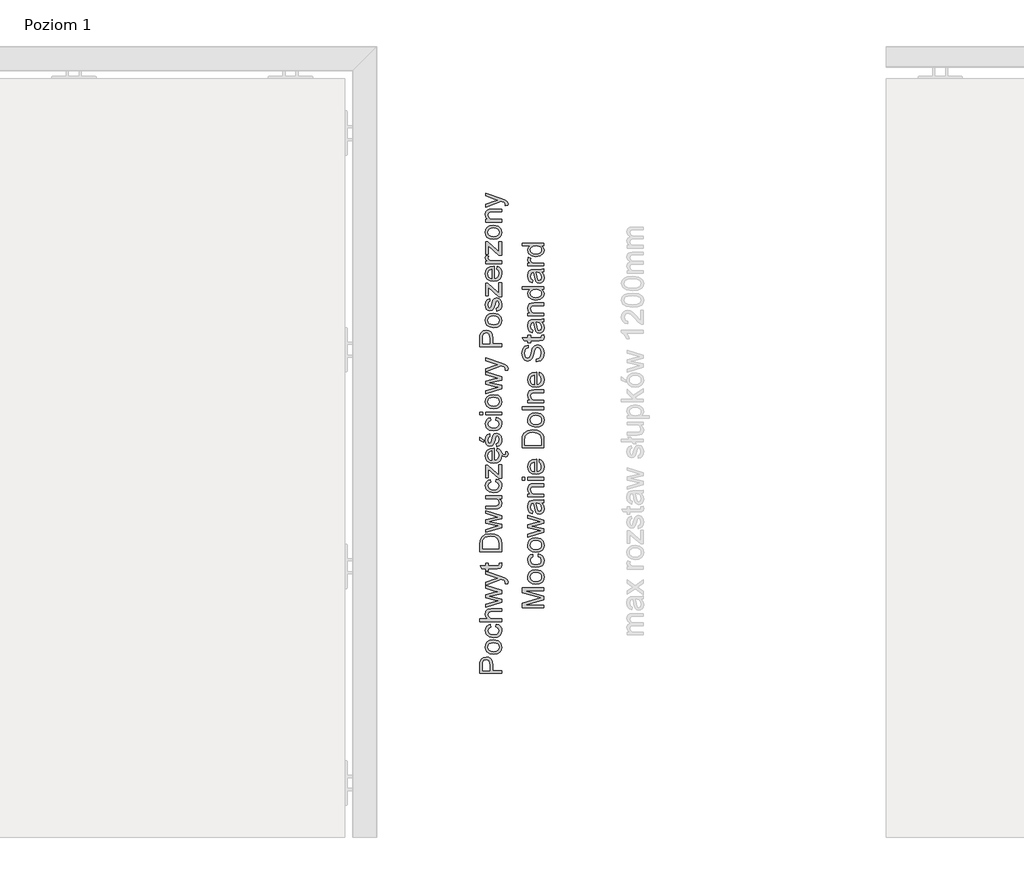
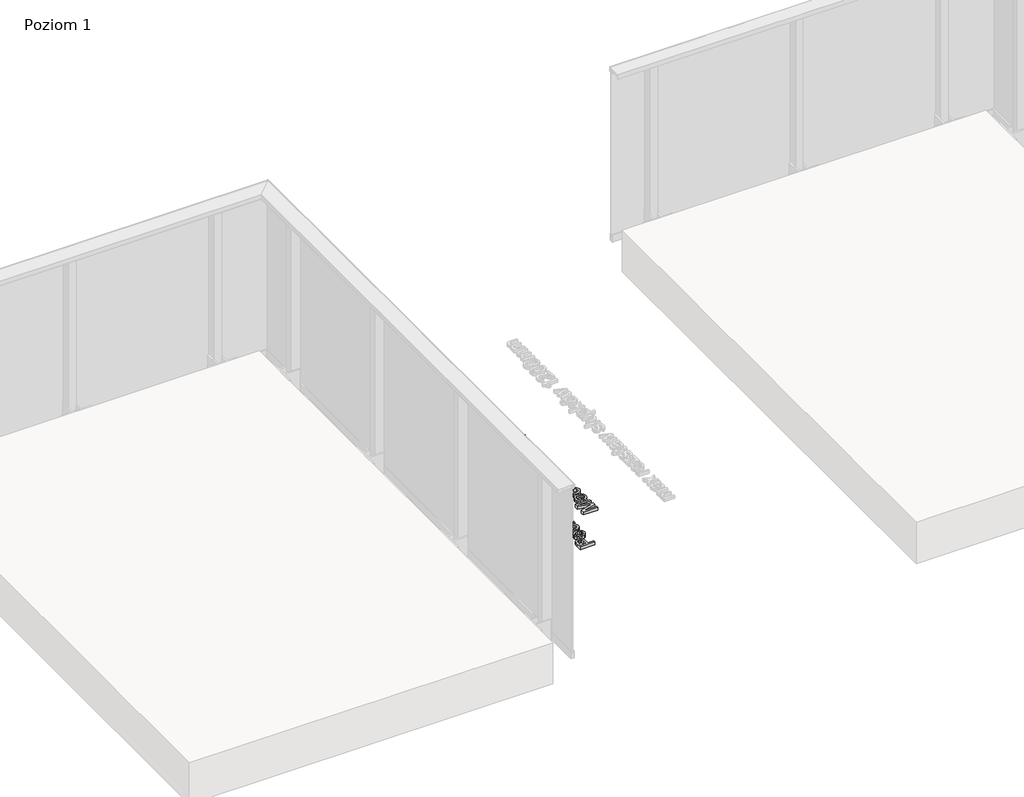
# One storey, part 33 of 35: 2 proxies.
"""IFC4 building model written with IfcOpenShell, lengths in millimetres."""

from ifc_helpers import new_model, si_unit, origin, origin_with_axes, place, context, project, spatial, polyline, outline, extrude, element, save

model = new_model("IFC4")

# Units and contexts
model_context = context("Model", 3, world=origin())
ifc_project = project(units=[si_unit("LENGTHUNIT", "METRE", prefix="MILLI")], contexts=[model_context])

# Site, building, storey
site = spatial("IfcSite", under=ifc_project)
building = spatial("IfcBuilding", under=site)
storey = spatial("IfcBuildingStorey", under=building, Name="Poziom 1", Elevation=0.0)

# Proxies
placement = place(None, origin())
element("IfcBuildingElementProxy", 1, Name="Generic Models", at=placement, inside=storey, context=model_context, shape_type="SweptSolid", body=[
    extrude(outline(polyline([(15115.5993765, 1126.7475832), (15015.1430664, 1126.7475832), (15015.1430664, 1163.9772411), (15016.0995596, 1178.9868265), (15020.7961864, 1191.188246), (15030.508271, 1199.0977089), (15044.205744, 1202.0898158), (15056.0454129, 1200.0695305), (15065.9107817, 1194.0086747), (15072.5694458, 1182.6748435), (15074.7890005, 1164.8356325), (15074.7890005, 1139.304622), (15115.5993765, 1139.304622), (15115.5993765, 1126.7475832)]), holes=[polyline([(15062.2319618, 1139.304622), (15062.2319618, 1165.5713965), (15057.6211741, 1184.0635981), (15052.0722873, 1188.1654823), (15044.6472024, 1189.5327771), (15034.2484047, 1186.3076782), (15028.5584965, 1177.8341296), (15027.7001052, 1165.2770909), (15027.7001052, 1139.304622), (15062.2319618, 1139.304622)])]), origin_with_axes(), (0.0, 0.0, 1.0), 20.0),
    extrude(outline(polyline([(15078.7130752, 1214.6468546), (15060.9259807, 1217.36305), (15048.4241242, 1225.5116362), (15042.298889, 1235.5793401), (15040.2571439, 1247.6336068), (15042.7434131, 1260.8252421), (15050.2022205, 1271.3619955), (15062.0449551, 1278.26898), (15077.6830056, 1280.5713081), (15100.0257054, 1276.5000807), (15112.6685833, 1264.6420178), (15117.1690064, 1247.6336068), (15114.6919343, 1234.2825561), (15107.260718, 1223.7580654), (15095.1696631, 1216.9246573), (15078.7130752, 1214.6468546)]), holes=[polyline([(15078.6885497, 1227.2038934), (15090.0530377, 1228.6570273), (15098.1495072, 1233.0164289), (15102.9963525, 1239.5769911), (15104.6119676, 1247.6336068), (15102.9871555, 1255.6534343), (15098.112719, 1262.2017339), (15089.9089505, 1266.5611355), (15078.2961422, 1268.0142694), (15067.2627481, 1266.5519384), (15059.2766431, 1262.1649457), (15054.4297978, 1255.6074491), (15052.8141827, 1247.6336068), (15054.4236664, 1239.5769911), (15059.2521176, 1233.0164289), (15067.3301931, 1228.6570273), (15078.6885497, 1227.2038934)])]), origin_with_axes(), (0.0, 0.0, 1.0), 20.0),
    extrude(outline(polyline([(15088.9156692, 1341.7868721), (15090.485299, 1354.3439109), (15101.6535832, 1350.8429006), (15110.0934093, 1344.2639442), (15115.4001071, 1335.2263099), (15117.1690064, 1324.3492656), (15114.7011313, 1310.9920835), (15107.2975062, 1300.5473005), (15095.2830934, 1293.8058629), (15078.9828553, 1291.5587171), (15058.1239462, 1295.3969525), (15044.7207788, 1307.0956), (15040.2571439, 1324.1775873), (15041.7899856, 1334.7879172), (15046.3885105, 1343.2706629), (15053.8074641, 1349.3560442), (15063.8015916, 1352.7742811), (15065.3712215, 1340.2172423), (15055.9657051, 1334.392444), (15052.8141827, 1324.2756892), (15054.3654184, 1316.1608255), (15059.0191257, 1309.7198249), (15067.0266904, 1305.5167731), (15078.6394988, 1304.1157558), (15090.4086569, 1305.4861163), (15098.4438128, 1309.5971976), (15103.0699289, 1315.9217022), (15104.6119676, 1323.9323326), (15100.7614694, 1335.7658702), (15088.9156692, 1341.7868721)])), origin_with_axes(), (0.0, 0.0, 1.0), 20.0),
    extrude(outline(polyline([(15115.5993765, 1365.3313198), (15015.1430664, 1365.3313198), (15015.1430664, 1377.8883586), (15052.0784187, 1377.8883586), (15043.2124626, 1387.680151), (15040.2571439, 1399.7405491), (15043.4822427, 1413.8426923), (15052.3972498, 1422.40208), (15068.9028886, 1424.977254), (15115.5993765, 1424.977254), (15115.5993765, 1412.4202152), (15070.2027383, 1412.4202152), (15056.9589865, 1408.4225642), (15052.8141827, 1397.0917987), (15055.6100859, 1386.8033656), (15063.188455, 1379.936235), (15076.4076813, 1377.8883586), (15115.5993765, 1377.8883586), (15115.5993765, 1365.3313198)])), origin_with_axes(), (0.0, 0.0, 1.0), 20.0),
    extrude(outline(polyline([(15115.5993765, 1454.48139), (15041.8267738, 1432.0405883), (15041.8267738, 1445.0881364), (15084.8689672, 1457.8168534), (15100.2464346, 1461.6183007), (15085.4330529, 1464.7330349), (15041.8267738, 1474.8620525), (15041.8267738, 1489.822587), (15085.3104256, 1499.9025537), (15098.7258557, 1502.6739314), (15084.5746616, 1506.6470569), (15041.8267738, 1519.4002994), (15041.8267738, 1532.4968984), (15115.5993765, 1509.8844185), (15115.5993765, 1494.7031548), (15072.3364539, 1485.0646465), (15058.8474474, 1482.2687434), (15115.5993765, 1469.8343319), (15115.5993765, 1454.48139)])), origin_with_axes(), (0.0, 0.0, 1.0), 20.0),
    extrude(outline(polyline([(15143.8527138, 1541.1298626), (15131.7616589, 1539.5602327), (15132.8653048, 1545.936854), (15131.479616, 1551.8965423), (15127.616855, 1555.5508368), (15118.3707542, 1558.9844021), (15115.3295964, 1559.9654207), (15041.8267738, 1533.2817134), (15041.8267738, 1546.5254652), (15082.7843026, 1560.6766593), (15099.1673141, 1565.606278), (15084.6972889, 1570.5358967), (15041.8267738, 1585.0794983), (15041.8267738, 1598.2251482), (15117.3652101, 1572.546985), (15133.7482216, 1565.8760581), (15142.601915, 1558.5919946), (15145.4223436, 1548.8063336), (15143.8527138, 1541.1298626)])), origin_with_axes(), (0.0, 0.0, 1.0), 20.0),
    extrude(outline(polyline([(15105.1270024, 1635.3076534), (15115.9672585, 1636.8772832), (15117.1690064, 1627.4840296), (15115.0843417, 1616.9626045), (15109.6151627, 1611.7141547), (15095.3658668, 1610.1935758), (15054.3838125, 1610.1935758), (15054.3838125, 1600.7757967), (15041.8267738, 1600.7757967), (15041.8267738, 1610.1935758), (15023.8986579, 1610.1935758), (15016.5164925, 1622.7506146), (15041.8267738, 1622.7506146), (15041.8267738, 1635.3076534), (15054.3838125, 1635.3076534), (15054.3838125, 1622.7506146), (15094.9979848, 1622.7506146), (15101.4727079, 1623.4128022), (15103.765839, 1625.5587805), (15104.6119676, 1629.8384744), (15105.1270024, 1635.3076534)])), origin_with_axes(), (0.0, 0.0, 1.0), 20.0),
    extrude(outline(polyline([(15115.5993765, 1688.6750681), (15015.1430664, 1688.6750681), (15015.1430664, 1723.3295521), (15016.5900689, 1741.257668), (15023.7760305, 1756.0219987), (15040.943857, 1767.9168499), (15064.8316612, 1771.86545), (15085.1019591, 1769.1921741), (15099.7313998, 1762.3250436), (15108.8426106, 1753.1525191), (15113.8825939, 1741.1473034), (15115.5993765, 1724.9972838), (15115.5993765, 1688.6750681)]), holes=[polyline([(15103.0423378, 1701.2321069), (15103.0423378, 1723.4521794), (15101.2274533, 1739.6144617), (15096.1016308, 1748.9341389), (15083.6304312, 1756.5738217), (15064.6354575, 1759.3084112), (15050.9502472, 1757.9687076), (15040.8457551, 1753.9495968), (15029.7111934, 1740.9143114), (15027.7001052, 1723.1088229), (15027.7001052, 1701.2321069), (15103.0423378, 1701.2321069)])]), origin_with_axes(), (0.0, 0.0, 1.0), 20.0),
    extrude(outline(polyline([(15115.5993765, 1799.7999561), (15041.8267738, 1777.3591544), (15041.8267738, 1790.4067025), (15084.8689672, 1803.1354196), (15100.2464346, 1806.9368668), (15085.4330529, 1810.0516011), (15041.8267738, 1820.1806187), (15041.8267738, 1835.1411531), (15085.3104256, 1845.2211198), (15098.7258557, 1847.9924975), (15084.5746616, 1851.9656231), (15041.8267738, 1864.7188656), (15041.8267738, 1877.8154646), (15115.5993765, 1855.2029846), (15115.5993765, 1840.0217209), (15072.3364539, 1830.3832127), (15058.8474474, 1827.5873095), (15115.5993765, 1815.1528981), (15115.5993765, 1799.7999561)])), origin_with_axes(), (0.0, 0.0, 1.0), 20.0),
    extrude(outline(polyline([(15115.5993765, 1933.5373241), (15102.9197104, 1933.5373241), (15113.6066824, 1923.7026121), (15117.1690064, 1910.8757932), (15114.6674088, 1899.0667812), (15108.3888894, 1890.9243263), (15099.1427886, 1887.1841927), (15087.4686666, 1886.4484287), (15041.8267738, 1886.4484287), (15041.8267738, 1899.0054675), (15081.5580292, 1899.0054675), (15094.3603227, 1899.765757), (15101.8773781, 1904.7321639), (15104.6119676, 1914.0886293), (15101.8160644, 1924.5732662), (15094.2009071, 1931.5017104), (15080.2091286, 1933.5373241), (15041.8267738, 1933.5373241), (15041.8267738, 1946.0943629), (15115.5993765, 1946.0943629), (15115.5993765, 1933.5373241)])), origin_with_axes(), (0.0, 0.0, 1.0), 20.0),
    extrude(outline(polyline([(15088.9156692, 2010.4491866), (15090.485299, 2023.0062253), (15101.6535832, 2019.505215), (15110.0934093, 2012.9262587), (15115.4001071, 2003.8886243), (15117.1690064, 1993.01158), (15114.7011313, 1979.6543979), (15107.2975062, 1969.2096149), (15095.2830934, 1962.4681774), (15078.9828553, 1960.2210315), (15058.1239462, 1964.059267), (15044.7207788, 1975.7579144), (15040.2571439, 1992.8399017), (15041.7899856, 2003.4502316), (15046.3885105, 2011.9329773), (15053.8074641, 2018.0183586), (15063.8015916, 2021.4365955), (15065.3712215, 2008.8795567), (15055.9657051, 2003.0547585), (15052.8141827, 1992.9380036), (15054.3654184, 1984.8231399), (15059.0191257, 1978.3821393), (15067.0266904, 1974.1790875), (15078.6394988, 1972.7780703), (15090.4086569, 1974.1484307), (15098.4438128, 1978.259512), (15103.0699289, 1984.5840166), (15104.6119676, 1992.5946471), (15100.7614694, 2004.4281846), (15088.9156692, 2010.4491866)])), origin_with_axes(), (0.0, 0.0, 1.0), 20.0),
    extrude(outline(polyline([(15115.5993765, 2026.145485), (15103.7781018, 2026.145485), (15054.3838125, 2069.4819841), (15054.3838125, 2056.6551652), (15054.3838125, 2029.2847447), (15041.8267738, 2029.2847447), (15041.8267738, 2087.361049), (15052.4953516, 2087.361049), (15096.32236, 2048.9296433), (15103.0423378, 2043.0435313), (15103.0423378, 2057.5626074), (15103.0423378, 2088.9306789), (15115.5993765, 2088.9306789), (15115.5993765, 2026.145485)])), origin_with_axes(), (0.0, 0.0, 1.0), 20.0),
    extrude(outline(polyline([(15093.6245587, 2153.1383498), (15095.1941885, 2165.4501339), (15104.4709462, 2161.0140902), (15111.4055218, 2153.9354274), (15115.768218, 2144.0429207), (15121.6694295, 2138.1655526), (15128.9902812, 2136.0195743), (15133.9689508, 2137.5524159), (15136.0045645, 2142.5188228), (15135.5631061, 2145.6580825), (15134.3858838, 2148.576613), (15143.0433734, 2148.576613), (15145.4223436, 2139.7719706), (15144.4167995, 2133.9962233), (15141.6454218, 2129.8759449), (15137.5864571, 2127.4111356), (15132.6691011, 2126.6017952), (15123.7540941, 2129.0543418), (15116.8755159, 2134.908891), (15117.1690064, 2132.4879071), (15114.6827372, 2117.7542332), (15107.2239298, 2106.4173364), (15095.276962, 2099.1884552), (15079.3262118, 2096.7788281), (15062.8389671, 2099.2129806), (15050.5087889, 2106.5154382), (15042.8200552, 2117.6990509), (15040.2571439, 2131.7766686), (15042.8139238, 2145.4158936), (15050.4842634, 2156.3143977), (15062.7899161, 2163.4605054), (15079.2526354, 2165.8425413), (15082.6371498, 2165.7689649), (15082.6371498, 2109.3358669), (15092.0365347, 2111.5094363), (15098.9465849, 2116.5586167), (15103.1956219, 2123.8457459), (15104.6119676, 2132.7331618), (15101.9877427, 2145.0449459), (15093.6245587, 2153.1383498)]), holes=[polyline([(15070.080111, 2109.3358669), (15070.080111, 2153.2855026), (15058.7002946, 2148.257782), (15054.2857107, 2140.9369303), (15052.8141827, 2131.7276177), (15057.5108095, 2116.2643111), (15063.0014483, 2111.3990717), (15070.080111, 2109.3358669)])]), origin_with_axes(), (0.0, 0.0, 1.0), 20.0),
    extrude(outline(polyline([(15093.6245587, 2173.6906906), (15092.0549288, 2186.2477293), (15101.3746061, 2192.0602649), (15104.6119676, 2205.3775931), (15101.6443862, 2218.1798865), (15094.6791537, 2222.3492158), (15089.0382965, 2218.1553611), (15085.4575784, 2205.2304403), (15079.3139491, 2186.3213057), (15072.1402502, 2178.0684863), (15062.0112326, 2175.2603204), (15052.6547672, 2177.5166633), (15045.5055937, 2183.6725554), (15041.7899856, 2191.6555947), (15040.2571439, 2202.4590626), (15042.7219533, 2217.7384281), (15049.3928801, 2227.4505128), (15060.6623319, 2231.7669949), (15062.2319618, 2219.2099561), (15055.3035175, 2214.4888038), (15052.8141827, 2203.4400812), (15055.1931529, 2191.4226027), (15060.7359083, 2187.8173592), (15064.3902028, 2189.3134126), (15067.1615805, 2193.9977767), (15069.8348563, 2204.8135074), (15075.7454937, 2223.2443953), (15082.440946, 2231.8037831), (15093.3547786, 2234.9062546), (15105.3722571, 2231.2642228), (15114.0910604, 2220.7550605), (15117.1690064, 2205.2059148), (15115.6852157, 2192.5446428), (15111.2338435, 2183.3046734), (15103.8639409, 2177.1365186), (15093.6245587, 2173.6906906)])), origin_with_axes(), (0.0, 0.0, 1.0), 20.0),
    extrude(outline(polyline([(15033.9786245, 2192.5262487), (15015.1430664, 2201.9440278), (15015.1430664, 2217.6403263), (15033.9786245, 2201.9440278), (15033.9786245, 2192.5262487)])), origin_with_axes(), (0.0, 0.0, 1.0), 20.0),
    extrude(outline(polyline([(15088.9156692, 2296.1218186), (15090.485299, 2308.6788573), (15101.6535832, 2305.177847), (15110.0934093, 2298.5988907), (15115.4001071, 2289.5612563), (15117.1690064, 2278.684212), (15114.7011313, 2265.3270299), (15107.2975062, 2254.8822469), (15095.2830934, 2248.1408093), (15078.9828553, 2245.8936635), (15058.1239462, 2249.731899), (15044.7207788, 2261.4305464), (15040.2571439, 2278.5125337), (15041.7899856, 2289.1228636), (15046.3885105, 2297.6056093), (15053.8074641, 2303.6909906), (15063.8015916, 2307.1092275), (15065.3712215, 2294.5521887), (15055.9657051, 2288.7273905), (15052.8141827, 2278.6106356), (15054.3654184, 2270.4957719), (15059.0191257, 2264.0547713), (15067.0266904, 2259.8517195), (15078.6394988, 2258.4507023), (15090.4086569, 2259.8210627), (15098.4438128, 2263.932144), (15103.0699289, 2270.2566486), (15104.6119676, 2278.2672791), (15100.7614694, 2290.1008166), (15088.9156692, 2296.1218186)])), origin_with_axes(), (0.0, 0.0, 1.0), 20.0),
    extrude(outline(polyline([(15027.7001052, 2319.6662663), (15015.1430664, 2319.6662663), (15015.1430664, 2332.223305), (15027.7001052, 2332.223305), (15027.7001052, 2319.6662663)])), origin_with_axes(), (0.0, 0.0, 1.0), 20.0),
    extrude(outline(polyline([(15115.5993765, 2319.6662663), (15041.8267738, 2319.6662663), (15041.8267738, 2332.223305), (15115.5993765, 2332.223305), (15115.5993765, 2319.6662663)])), origin_with_axes(), (0.0, 0.0, 1.0), 20.0),
    extrude(outline(polyline([(15078.7130752, 2347.9196035), (15060.9259807, 2350.6357989), (15048.4241242, 2358.7843851), (15042.298889, 2368.852089), (15040.2571439, 2380.9063557), (15042.7434131, 2394.0979909), (15050.2022205, 2404.6347444), (15062.0449551, 2411.5417289), (15077.6830056, 2413.844057), (15100.0257054, 2409.7728296), (15112.6685833, 2397.9147666), (15117.1690064, 2380.9063557), (15114.6919343, 2367.555305), (15107.260718, 2357.0308142), (15095.1696631, 2350.1974062), (15078.7130752, 2347.9196035)]), holes=[polyline([(15078.6885497, 2360.4766423), (15090.0530377, 2361.9297761), (15098.1495072, 2366.2891778), (15102.9963525, 2372.84974), (15104.6119676, 2380.9063557), (15102.9871555, 2388.9261832), (15098.112719, 2395.4744827), (15089.9089505, 2399.8338844), (15078.2961422, 2401.2870183), (15067.2627481, 2399.8246873), (15059.2766431, 2395.4376945), (15054.4297978, 2388.880198), (15052.8141827, 2380.9063557), (15054.4236664, 2372.84974), (15059.2521176, 2366.2891778), (15067.3301931, 2361.9297761), (15078.6885497, 2360.4766423)])]), origin_with_axes(), (0.0, 0.0, 1.0), 20.0),
    extrude(outline(polyline([(15115.5993765, 2440.2089333), (15041.8267738, 2417.7681316), (15041.8267738, 2430.8156797), (15084.8689672, 2443.5443968), (15100.2464346, 2447.345844), (15085.4330529, 2450.4605783), (15041.8267738, 2460.5895959), (15041.8267738, 2475.5501303), (15085.3104256, 2485.630097), (15098.7258557, 2488.4014747), (15084.5746616, 2492.3746003), (15041.8267738, 2505.1278428), (15041.8267738, 2518.2244418), (15115.5993765, 2495.6119618), (15115.5993765, 2480.4306981), (15072.3364539, 2470.7921899), (15058.8474474, 2467.9962867), (15115.5993765, 2455.5618753), (15115.5993765, 2440.2089333)])), origin_with_axes(), (0.0, 0.0, 1.0), 20.0),
    extrude(outline(polyline([(15143.8527138, 2526.8574059), (15131.7616589, 2525.2877761), (15132.8653048, 2531.6643973), (15131.479616, 2537.6240857), (15127.616855, 2541.2783801), (15118.3707542, 2544.7119454), (15115.3295964, 2545.6929641), (15041.8267738, 2519.0092567), (15041.8267738, 2532.2530085), (15082.7843026, 2546.4042026), (15099.1673141, 2551.3338213), (15084.6972889, 2556.2634401), (15041.8267738, 2570.8070416), (15041.8267738, 2583.9526916), (15117.3652101, 2558.2745283), (15133.7482216, 2551.6036015), (15142.601915, 2544.319538), (15145.4223436, 2534.5338769), (15143.8527138, 2526.8574059)])), origin_with_axes(), (0.0, 0.0, 1.0), 20.0),
    extrude(outline(polyline([(15115.5993765, 2635.1618653), (15015.1430664, 2635.1618653), (15015.1430664, 2672.3915232), (15016.0995596, 2687.4011086), (15020.7961864, 2699.6025281), (15030.508271, 2707.511991), (15044.205744, 2710.5040979), (15056.0454129, 2708.4838126), (15065.9107817, 2702.4229568), (15072.5694458, 2691.0891256), (15074.7890005, 2673.2499146), (15074.7890005, 2647.7189041), (15115.5993765, 2647.7189041), (15115.5993765, 2635.1618653)]), holes=[polyline([(15062.2319618, 2647.7189041), (15062.2319618, 2673.9856785), (15057.6211741, 2692.4778802), (15052.0722873, 2696.5797644), (15044.6472024, 2697.9470592), (15034.2484047, 2694.7219603), (15028.5584965, 2686.2484117), (15027.7001052, 2673.6913729), (15027.7001052, 2647.7189041), (15062.2319618, 2647.7189041)])]), origin_with_axes(), (0.0, 0.0, 1.0), 20.0),
    extrude(outline(polyline([(15078.7130752, 2723.0611367), (15060.9259807, 2725.7773321), (15048.4241242, 2733.9259183), (15042.298889, 2743.9936222), (15040.2571439, 2756.0478889), (15042.7434131, 2769.2395241), (15050.2022205, 2779.7762776), (15062.0449551, 2786.6832621), (15077.6830056, 2788.9855902), (15100.0257054, 2784.9143628), (15112.6685833, 2773.0562998), (15117.1690064, 2756.0478889), (15114.6919343, 2742.6968382), (15107.260718, 2732.1723474), (15095.1696631, 2725.3389394), (15078.7130752, 2723.0611367)]), holes=[polyline([(15078.6885497, 2735.6181755), (15090.0530377, 2737.0713093), (15098.1495072, 2741.430711), (15102.9963525, 2747.9912732), (15104.6119676, 2756.0478889), (15102.9871555, 2764.0677164), (15098.112719, 2770.6160159), (15089.9089505, 2774.9754176), (15078.2961422, 2776.4285515), (15067.2627481, 2774.9662205), (15059.2766431, 2770.5792277), (15054.4297978, 2764.0217312), (15052.8141827, 2756.0478889), (15054.4236664, 2747.9912732), (15059.2521176, 2741.430711), (15067.3301931, 2737.0713093), (15078.6885497, 2735.6181755)])]), origin_with_axes(), (0.0, 0.0, 1.0), 20.0),
    extrude(outline(polyline([(15093.6245587, 2798.4033693), (15092.0549288, 2810.9604081), (15101.3746061, 2816.7729436), (15104.6119676, 2830.0902718), (15101.6443862, 2842.8925653), (15094.6791537, 2847.0618945), (15089.0382965, 2842.8680398), (15085.4575784, 2829.943119), (15079.3139491, 2811.0339845), (15072.1402502, 2802.7811651), (15062.0112326, 2799.9729992), (15052.6547672, 2802.2293421), (15045.5055937, 2808.3852341), (15041.7899856, 2816.3682734), (15040.2571439, 2827.1717413), (15042.7219533, 2842.4511069), (15049.3928801, 2852.1631915), (15060.6623319, 2856.4796736), (15062.2319618, 2843.9226348), (15055.3035175, 2839.2014826), (15052.8141827, 2828.15276), (15055.1931529, 2816.1352815), (15060.7359083, 2812.5300379), (15064.3902028, 2814.0260914), (15067.1615805, 2818.7104554), (15069.8348563, 2829.5261861), (15075.7454937, 2847.9570741), (15082.440946, 2856.5164618), (15093.3547786, 2859.6189333), (15105.3722571, 2855.9769016), (15114.0910604, 2845.4677392), (15117.1690064, 2829.9185936), (15115.6852157, 2817.2573216), (15111.2338435, 2808.0173521), (15103.8639409, 2801.8491973), (15093.6245587, 2798.4033693)])), origin_with_axes(), (0.0, 0.0, 1.0), 20.0),
    extrude(outline(polyline([(15115.5993765, 2865.8974527), (15103.7781018, 2865.8974527), (15054.3838125, 2909.2339517), (15054.3838125, 2896.4071328), (15054.3838125, 2869.0367124), (15041.8267738, 2869.0367124), (15041.8267738, 2927.1130167), (15052.4953516, 2927.1130167), (15096.32236, 2888.6816109), (15103.0423378, 2882.795499), (15103.0423378, 2897.3145751), (15103.0423378, 2928.6826465), (15115.5993765, 2928.6826465), (15115.5993765, 2865.8974527)])), origin_with_axes(), (0.0, 0.0, 1.0), 20.0),
    extrude(outline(polyline([(15093.6245587, 2992.8903174), (15095.1941885, 3005.2021015), (15104.4709462, 3000.7660578), (15111.4055218, 2993.6873951), (15115.7281352, 2984.1255289), (15117.1690064, 2972.2398748), (15114.6827372, 2957.5062009), (15107.2239298, 2946.169304), (15095.276962, 2938.9404228), (15079.3262118, 2936.5307958), (15062.8389671, 2938.9649483), (15050.5087889, 2946.2674059), (15042.8200552, 2957.4510186), (15040.2571439, 2971.5286362), (15042.8139238, 2985.1678612), (15050.4842634, 2996.0663653), (15062.7899161, 3003.2124731), (15079.2526354, 3005.594509), (15082.6371498, 3005.5209326), (15082.6371498, 2949.0878345), (15092.0365347, 2951.261404), (15098.9465849, 2956.3105844), (15103.1956219, 2963.5977136), (15104.6119676, 2972.4851294), (15101.9877427, 2984.7969135), (15093.6245587, 2992.8903174)]), holes=[polyline([(15070.080111, 2949.0878345), (15070.080111, 2993.0374702), (15058.7002946, 2988.0097496), (15054.2857107, 2980.6888979), (15052.8141827, 2971.4795853), (15057.5108095, 2956.0162788), (15063.0014483, 2951.1510394), (15070.080111, 2949.0878345)])]), origin_with_axes(), (0.0, 0.0, 1.0), 20.0),
    extrude(outline(polyline([(15115.5993765, 3057.3922939), (15103.7781018, 3057.3922939), (15054.3838125, 3100.7287929), (15054.3838125, 3087.901974), (15054.3838125, 3060.5315536), (15041.8267738, 3060.5315536), (15041.8267738, 3118.6078579), (15052.4953516, 3118.6078579), (15096.32236, 3080.1764521), (15103.0423378, 3074.2903402), (15103.0423378, 3088.8094163), (15103.0423378, 3120.1774878), (15115.5993765, 3120.1774878), (15115.5993765, 3057.3922939)])), origin_with_axes(), (0.0, 0.0, 1.0), 20.0),
    extrude(outline(polyline([(15115.5993765, 3018.1515478), (15041.8267738, 3018.1515478), (15041.8267738, 3029.1389567), (15052.7406063, 3029.1389567), (15042.6851651, 3036.938055), (15040.2571439, 3044.7862042), (15044.1321676, 3057.3922939), (15055.3893567, 3053.1984392), (15052.8141827, 3044.3692713), (15055.2912548, 3037.2691488), (15062.1583854, 3032.7442002), (15076.8246142, 3030.7085865), (15115.5993765, 3030.7085865), (15115.5993765, 3018.1515478)])), origin_with_axes(), (0.0, 0.0, 1.0), 20.0),
    extrude(outline(polyline([(15078.7130752, 3129.5952668), (15060.9259807, 3132.3114622), (15048.4241242, 3140.4600484), (15042.298889, 3150.5277524), (15040.2571439, 3162.5820191), (15042.7434131, 3175.7736543), (15050.2022205, 3186.3104078), (15062.0449551, 3193.2173922), (15077.6830056, 3195.5197204), (15100.0257054, 3191.448493), (15112.6685833, 3179.59043), (15117.1690064, 3162.5820191), (15114.6919343, 3149.2309683), (15107.260718, 3138.7064776), (15095.1696631, 3131.8730695), (15078.7130752, 3129.5952668)]), holes=[polyline([(15078.6885497, 3142.1523056), (15090.0530377, 3143.6054395), (15098.1495072, 3147.9648411), (15102.9963525, 3154.5254034), (15104.6119676, 3162.5820191), (15102.9871555, 3170.6018466), (15098.112719, 3177.1501461), (15089.9089505, 3181.5095477), (15078.2961422, 3182.9626816), (15067.2627481, 3181.5003507), (15059.2766431, 3177.1133579), (15054.4297978, 3170.5558613), (15052.8141827, 3162.5820191), (15054.4236664, 3154.5254034), (15059.2521176, 3147.9648411), (15067.3301931, 3143.6054395), (15078.6885497, 3142.1523056)])]), origin_with_axes(), (0.0, 0.0, 1.0), 20.0),
    extrude(outline(polyline([(15115.5993765, 3209.646389), (15041.8267738, 3209.646389), (15041.8267738, 3222.2034278), (15052.1274696, 3222.2034278), (15043.2247253, 3231.8051478), (15040.2571439, 3244.9140096), (15042.6483769, 3256.7720726), (15048.9268963, 3264.8654765), (15058.1607344, 3268.6301355), (15070.3008402, 3269.2923231), (15115.5993765, 3269.2923231), (15115.5993765, 3256.7352844), (15071.9930974, 3256.7352844), (15060.8830611, 3255.2882819), (15055.0092119, 3250.1747221), (15052.8141827, 3241.5540207), (15057.7438014, 3227.9301241), (15064.8868435, 3223.6351019), (15076.4567322, 3222.2034278), (15115.5993765, 3222.2034278), (15115.5993765, 3209.646389)])), origin_with_axes(), (0.0, 0.0, 1.0), 20.0),
    extrude(outline(polyline([(15143.8527138, 3286.5582514), (15131.7616589, 3284.9886216), (15132.8653048, 3291.3652428), (15131.479616, 3297.3249312), (15127.616855, 3300.9792257), (15118.3707542, 3304.4127909), (15115.3295964, 3305.3938096), (15041.8267738, 3278.7101022), (15041.8267738, 3291.953854), (15082.7843026, 3306.1050481), (15099.1673141, 3311.0346669), (15084.6972889, 3315.9642856), (15041.8267738, 3330.5078871), (15041.8267738, 3343.6535371), (15117.3652101, 3317.9753738), (15133.7482216, 3311.304447), (15142.601915, 3304.0203835), (15145.4223436, 3294.2347224), (15143.8527138, 3286.5582514)])), origin_with_axes(), (0.0, 0.0, 1.0), 20.0),
])
element("IfcBuildingElementProxy", 2, Name="Generic Models", at=placement, inside=storey, context=model_context, shape_type="SweptSolid", body=[
    extrude(outline(polyline([(15311.0111089, 1428.6091584), (15210.5547987, 1428.6091584), (15210.5547987, 1450.2160943), (15281.3598201, 1470.7684351), (15296.1486763, 1474.9132389), (15280.1335468, 1479.4013992), (15210.5547987, 1499.6103835), (15210.5547987, 1521.2173194), (15311.0111089, 1521.2173194), (15311.0111089, 1508.6602806), (15223.1118375, 1508.6602806), (15311.0111089, 1483.4235757), (15311.0111089, 1466.4029021), (15223.1118375, 1441.1661972), (15311.0111089, 1441.1661972), (15311.0111089, 1428.6091584)])), origin_with_axes(), (0.0, 0.0, 1.0), 20.0),
    extrude(outline(polyline([(15274.1248075, 1538.4832477), (15256.337713, 1541.1994431), (15243.8358566, 1549.3480293), (15237.7106214, 1559.4157332), (15235.6688763, 1571.4699999), (15238.1551454, 1584.6616351), (15245.6139529, 1595.1983886), (15257.4566874, 1602.1053731), (15273.0947379, 1604.4077012), (15295.4374378, 1600.3364738), (15308.0803157, 1588.4784108), (15312.5807387, 1571.4699999), (15310.1036666, 1558.1189492), (15302.6724503, 1547.5944584), (15290.5813954, 1540.7610504), (15274.1248075, 1538.4832477)]), holes=[polyline([(15274.100282, 1551.0402864), (15285.46477, 1552.4934203), (15293.5612396, 1556.852822), (15298.4080849, 1563.4133842), (15300.0237, 1571.4699999), (15298.3988878, 1579.4898274), (15293.5244514, 1586.0381269), (15285.3206829, 1590.3975286), (15273.7078746, 1591.8506624), (15262.6744804, 1590.3883315), (15254.6883754, 1586.0013387), (15249.8415301, 1579.4438422), (15248.225915, 1571.4699999), (15249.8353988, 1563.4133842), (15254.66385, 1556.852822), (15262.7419254, 1552.4934203), (15274.100282, 1551.0402864)])]), origin_with_axes(), (0.0, 0.0, 1.0), 20.0),
    extrude(outline(polyline([(15284.3274015, 1665.6232652), (15285.8970314, 1678.180304), (15297.0653156, 1674.6792937), (15305.5051417, 1668.1003373), (15310.8118395, 1659.062703), (15312.5807387, 1648.1856586), (15310.1128637, 1634.8284765), (15302.7092385, 1624.3836935), (15290.6948257, 1617.642256), (15274.3945876, 1615.3951101), (15253.5356785, 1619.2333456), (15240.1325112, 1630.9319931), (15235.6688763, 1648.0139804), (15237.2017179, 1658.6243102), (15241.8002429, 1667.1070559), (15249.2191964, 1673.1924373), (15259.213324, 1676.6106741), (15260.7829538, 1664.0536354), (15251.3774375, 1658.2288371), (15248.225915, 1648.1120822), (15249.7771508, 1639.9972186), (15254.430858, 1633.556218), (15262.4384228, 1629.3531662), (15274.0512311, 1627.9521489), (15285.8203893, 1629.3225093), (15293.8555452, 1633.4335906), (15298.4816613, 1639.7580953), (15300.0237, 1647.7687257), (15296.1732018, 1659.6022632), (15284.3274015, 1665.6232652)])), origin_with_axes(), (0.0, 0.0, 1.0), 20.0),
    extrude(outline(polyline([(15274.1248075, 1686.0284532), (15256.337713, 1688.7446486), (15243.8358566, 1696.8932348), (15237.7106214, 1706.9609387), (15235.6688763, 1719.0152054), (15238.1551454, 1732.2068406), (15245.6139529, 1742.7435941), (15257.4566874, 1749.6505786), (15273.0947379, 1751.9529067), (15295.4374378, 1747.8816793), (15308.0803157, 1736.0236163), (15312.5807387, 1719.0152054), (15310.1036666, 1705.6641547), (15302.6724503, 1695.139664), (15290.5813954, 1688.3062559), (15274.1248075, 1686.0284532)]), holes=[polyline([(15274.100282, 1698.585492), (15285.46477, 1700.0386259), (15293.5612396, 1704.3980275), (15298.4080849, 1710.9585897), (15300.0237, 1719.0152054), (15298.3988878, 1727.0350329), (15293.5244514, 1733.5833324), (15285.3206829, 1737.9427341), (15273.7078746, 1739.395868), (15262.6744804, 1737.933537), (15254.6883754, 1733.5465442), (15249.8415301, 1726.9890477), (15248.225915, 1719.0152054), (15249.8353988, 1710.9585897), (15254.66385, 1704.3980275), (15262.7419254, 1700.0386259), (15274.100282, 1698.585492)])]), origin_with_axes(), (0.0, 0.0, 1.0), 20.0),
    extrude(outline(polyline([(15311.0111089, 1778.3177831), (15237.2385061, 1755.8769814), (15237.2385061, 1768.9245295), (15280.2806996, 1781.6532465), (15295.658167, 1785.4546938), (15280.8447853, 1788.569428), (15237.2385061, 1798.6984456), (15237.2385061, 1813.6589801), (15280.722158, 1823.7389467), (15294.137588, 1826.5103244), (15279.986394, 1830.48345), (15237.2385061, 1843.2366925), (15237.2385061, 1856.3332915), (15311.0111089, 1833.7208115), (15311.0111089, 1818.5395479), (15267.7481863, 1808.9010396), (15254.2591798, 1806.1051364), (15311.0111089, 1793.670725), (15311.0111089, 1778.3177831)])), origin_with_axes(), (0.0, 0.0, 1.0), 20.0),
    extrude(outline(polyline([(15301.5933298, 1912.055151), (15310.1036666, 1899.878257), (15312.5807387, 1886.4260387), (15311.0908167, 1875.9322048), (15306.6210504, 1868.1913545), (15299.8336276, 1863.4180856), (15291.3907358, 1861.826996), (15281.4579219, 1864.2304917), (15274.2474348, 1870.5457993), (15270.1271565, 1879.3381789), (15268.2386956, 1890.2029605), (15263.9222135, 1911.9815746), (15261.1263103, 1912.055151), (15251.8556841, 1908.5970603), (15248.225915, 1894.7156463), (15250.6416735, 1882.0114548), (15259.213324, 1875.9536646), (15257.6436941, 1863.3966258), (15245.380961, 1868.8290166), (15238.1949993, 1879.7673746), (15235.6688763, 1896.3343271), (15237.9006937, 1911.552379), (15243.5047628, 1920.1485549), (15252.0273623, 1923.9990532), (15263.0147713, 1924.6121898), (15278.6374933, 1924.6121898), (15300.4528956, 1925.2498519), (15311.0111089, 1927.7514495), (15311.0111089, 1915.1944107), (15301.5933298, 1912.055151)]), holes=[polyline([(15276.4792523, 1912.055151), (15280.3297505, 1891.7971158), (15282.3653642, 1880.9936479), (15285.6763022, 1876.1008174), (15290.507819, 1874.3840347), (15297.3013732, 1878.1241684), (15300.0237, 1889.0993145), (15297.0193303, 1901.8035061), (15289.7475296, 1909.9950119), (15280.0354449, 1911.9815746), (15276.4792523, 1912.055151)])]), origin_with_axes(), (0.0, 0.0, 1.0), 20.0),
    extrude(outline(polyline([(15311.0111089, 1941.8781181), (15237.2385061, 1941.8781181), (15237.2385061, 1954.4351569), (15247.539202, 1954.4351569), (15238.6364577, 1964.036877), (15235.6688763, 1977.1457387), (15238.0601092, 1989.0038017), (15244.3386286, 1997.0972056), (15253.5724667, 2000.8618647), (15265.7125726, 2001.5240523), (15311.0111089, 2001.5240523), (15311.0111089, 1988.9670135), (15267.4048297, 1988.9670135), (15256.2947935, 1987.520011), (15250.4209443, 1982.4064513), (15248.225915, 1973.7857498), (15253.1555338, 1960.1618533), (15260.2985759, 1955.866831), (15271.8684646, 1954.4351569), (15311.0111089, 1954.4351569), (15311.0111089, 1941.8781181)])), origin_with_axes(), (0.0, 0.0, 1.0), 20.0),
    extrude(outline(polyline([(15223.1118375, 2018.7899806), (15210.5547987, 2018.7899806), (15210.5547987, 2031.3470193), (15223.1118375, 2031.3470193), (15223.1118375, 2018.7899806)])), origin_with_axes(), (0.0, 0.0, 1.0), 20.0),
    extrude(outline(polyline([(15311.0111089, 2018.7899806), (15237.2385061, 2018.7899806), (15237.2385061, 2031.3470193), (15311.0111089, 2031.3470193), (15311.0111089, 2018.7899806)])), origin_with_axes(), (0.0, 0.0, 1.0), 20.0),
    extrude(outline(polyline([(15289.036291, 2101.8332096), (15290.6059209, 2114.1449937), (15299.8826785, 2109.70895), (15306.8172541, 2102.6302873), (15311.1398676, 2093.0684211), (15312.5807387, 2081.182767), (15310.0944696, 2066.4490931), (15302.6356621, 2055.1121962), (15290.6886943, 2047.883315), (15274.7379442, 2045.473688), (15258.2506994, 2047.9078405), (15245.9205212, 2055.2102981), (15238.2317875, 2066.3939108), (15235.6688763, 2080.4715284), (15238.2256561, 2094.1107534), (15245.8959957, 2105.0092575), (15258.2016485, 2112.1553653), (15274.6643678, 2114.5374012), (15278.0488821, 2114.4638248), (15278.0488821, 2058.0307267), (15287.4482671, 2060.2042962), (15294.3583172, 2065.2534766), (15298.6073543, 2072.5406058), (15300.0237, 2081.4280216), (15297.3994751, 2093.7398057), (15289.036291, 2101.8332096)]), holes=[polyline([(15265.4918434, 2058.0307267), (15265.4918434, 2101.9803624), (15254.112027, 2096.9526418), (15249.697443, 2089.6317901), (15248.225915, 2080.4224775), (15252.9225419, 2064.959171), (15258.4131806, 2060.0939316), (15265.4918434, 2058.0307267)])]), origin_with_axes(), (0.0, 0.0, 1.0), 20.0),
    extrude(outline(polyline([(15311.0111089, 2167.904816), (15210.5547987, 2167.904816), (15210.5547987, 2202.5592999), (15212.0018013, 2220.4874158), (15219.1877629, 2235.2517465), (15236.3555893, 2247.1465977), (15260.2433936, 2251.0951978), (15280.5136915, 2248.421922), (15295.1431322, 2241.5547914), (15304.2543429, 2232.382267), (15309.2943262, 2220.3770512), (15311.0111089, 2204.2270316), (15311.0111089, 2167.904816)]), holes=[polyline([(15298.4540701, 2180.4618547), (15298.4540701, 2202.6819272), (15296.6391856, 2218.8442096), (15291.5133631, 2228.1638868), (15279.0421635, 2235.8035695), (15260.0471898, 2238.538159), (15246.3619796, 2237.1984554), (15236.2574875, 2233.1793446), (15225.1229257, 2220.1440593), (15223.1118375, 2202.3385707), (15223.1118375, 2180.4618547), (15298.4540701, 2180.4618547)])]), origin_with_axes(), (0.0, 0.0, 1.0), 20.0),
    extrude(outline(polyline([(15274.1248075, 2263.6522366), (15256.337713, 2266.368432), (15243.8358566, 2274.5170182), (15237.7106214, 2284.5847221), (15235.6688763, 2296.6389888), (15238.1551454, 2309.830624), (15245.6139529, 2320.3673775), (15257.4566874, 2327.2743619), (15273.0947379, 2329.5766901), (15295.4374378, 2325.5054627), (15308.0803157, 2313.6473997), (15312.5807387, 2296.6389888), (15310.1036666, 2283.2879381), (15302.6724503, 2272.7634473), (15290.5813954, 2265.9300393), (15274.1248075, 2263.6522366)]), holes=[polyline([(15274.100282, 2276.2092753), (15285.46477, 2277.6624092), (15293.5612396, 2282.0218109), (15298.4080849, 2288.5823731), (15300.0237, 2296.6389888), (15298.3988878, 2304.6588163), (15293.5244514, 2311.2071158), (15285.3206829, 2315.5665175), (15273.7078746, 2317.0196513), (15262.6744804, 2315.5573204), (15254.6883754, 2311.1703276), (15249.8415301, 2304.612831), (15248.225915, 2296.6389888), (15249.8353988, 2288.5823731), (15254.66385, 2282.0218109), (15262.7419254, 2277.6624092), (15274.100282, 2276.2092753)])]), origin_with_axes(), (0.0, 0.0, 1.0), 20.0),
    extrude(outline(polyline([(15311.0111089, 2343.7033587), (15210.5547987, 2343.7033587), (15210.5547987, 2356.2603975), (15311.0111089, 2356.2603975), (15311.0111089, 2343.7033587)])), origin_with_axes(), (0.0, 0.0, 1.0), 20.0),
    extrude(outline(polyline([(15311.0111089, 2375.0959556), (15237.2385061, 2375.0959556), (15237.2385061, 2387.6529944), (15247.539202, 2387.6529944), (15238.6364577, 2397.2547145), (15235.6688763, 2410.3635762), (15238.0601092, 2422.2216392), (15244.3386286, 2430.3150431), (15253.5724667, 2434.0797022), (15265.7125726, 2434.7418898), (15311.0111089, 2434.7418898), (15311.0111089, 2422.184851), (15267.4048297, 2422.184851), (15256.2947935, 2420.7378485), (15250.4209443, 2415.6242888), (15248.225915, 2407.0035874), (15253.1555338, 2393.3796908), (15260.2985759, 2389.0846685), (15271.8684646, 2387.6529944), (15311.0111089, 2387.6529944), (15311.0111089, 2375.0959556)])), origin_with_axes(), (0.0, 0.0, 1.0), 20.0),
    extrude(outline(polyline([(15289.036291, 2503.6584502), (15290.6059209, 2515.9702343), (15299.8826785, 2511.5341906), (15306.8172541, 2504.4555279), (15311.1398676, 2494.8936617), (15312.5807387, 2483.0080076), (15310.0944696, 2468.2743336), (15302.6356621, 2456.9374368), (15290.6886943, 2449.7085556), (15274.7379442, 2447.2989286), (15258.2506994, 2449.7330811), (15245.9205212, 2457.0355387), (15238.2317875, 2468.2191513), (15235.6688763, 2482.296769), (15238.2256561, 2495.935994), (15245.8959957, 2506.8344981), (15258.2016485, 2513.9806059), (15274.6643678, 2516.3626418), (15278.0488821, 2516.2890654), (15278.0488821, 2459.8559673), (15287.4482671, 2462.0295368), (15294.3583172, 2467.0787172), (15298.6073543, 2474.3658464), (15300.0237, 2483.2532622), (15297.3994751, 2495.5650463), (15289.036291, 2503.6584502)]), holes=[polyline([(15265.4918434, 2459.8559673), (15265.4918434, 2503.805603), (15254.112027, 2498.7778824), (15249.697443, 2491.4570307), (15248.225915, 2482.2477181), (15252.9225419, 2466.7844116), (15258.4131806, 2461.9191722), (15265.4918434, 2459.8559673)])]), origin_with_axes(), (0.0, 0.0, 1.0), 20.0),
    extrude(outline(polyline([(15276.4792523, 2565.021167), (15276.4792523, 2577.5782058), (15289.0485538, 2581.6249077), (15296.9948049, 2591.5086707), (15300.0237, 2606.567307), (15297.7305689, 2619.6884315), (15291.427524, 2628.1619801), (15283.0030263, 2630.9456205), (15275.1671398, 2628.8609559), (15269.4649689, 2620.3260936), (15264.6702402, 2602.0423585), (15258.47756, 2582.3606717), (15249.1333573, 2571.6798311), (15236.6498949, 2568.1604267), (15222.4373872, 2572.513697), (15212.4064714, 2585.2301513), (15208.9851689, 2603.8449802), (15212.565887, 2623.710608), (15223.087312, 2636.9543598), (15238.808136, 2641.9330295), (15238.808136, 2629.3759907), (15231.315606, 2627.0705969), (15225.9077407, 2622.2636055), (15221.5422077, 2604.3354896), (15225.8586897, 2586.3583227), (15236.2820129, 2580.7174655), (15244.9885535, 2584.7151165), (15252.0028369, 2605.2184064), (15258.3058817, 2627.4384789), (15268.4839502, 2639.5908474), (15282.6841953, 2643.5026593), (15297.7060434, 2639.0022362), (15308.6689269, 2626.05279), (15312.5807387, 2607.0578163), (15308.3623585, 2584.6292774), (15295.658167, 2570.4412951), (15276.4792523, 2565.021167)])), origin_with_axes(), (0.0, 0.0, 1.0), 20.0),
    extrude(outline(polyline([(15300.5387348, 2687.452295), (15311.3789909, 2689.0219249), (15312.5807387, 2679.6286712), (15310.4960741, 2669.1072462), (15305.0268951, 2663.8587964), (15290.7775992, 2662.3382175), (15249.7955449, 2662.3382175), (15249.7955449, 2652.9204384), (15237.2385061, 2652.9204384), (15237.2385061, 2662.3382175), (15219.3103902, 2662.3382175), (15211.9282249, 2674.8952562), (15237.2385061, 2674.8952562), (15237.2385061, 2687.452295), (15249.7955449, 2687.452295), (15249.7955449, 2674.8952562), (15290.4097172, 2674.8952562), (15296.8844403, 2675.5574438), (15299.1775714, 2677.7034221), (15300.0237, 2681.983116), (15300.5387348, 2687.452295)])), origin_with_axes(), (0.0, 0.0, 1.0), 20.0),
    extrude(outline(polyline([(15301.5933298, 2747.0982292), (15310.1036666, 2734.9213351), (15312.5807387, 2721.4691168), (15311.0908167, 2710.9752829), (15306.6210504, 2703.2344326), (15299.8336276, 2698.4611637), (15291.3907358, 2696.8700741), (15281.4579219, 2699.2735698), (15274.2474348, 2705.5888774), (15270.1271565, 2714.3812571), (15268.2386956, 2725.2460386), (15263.9222135, 2747.0246528), (15261.1263103, 2747.0982292), (15251.8556841, 2743.6401384), (15248.225915, 2729.7587245), (15250.6416735, 2717.0545329), (15259.213324, 2710.9967427), (15257.6436941, 2698.4397039), (15245.380961, 2703.8720947), (15238.1949993, 2714.8104527), (15235.6688763, 2731.3774052), (15237.9006937, 2746.5954571), (15243.5047628, 2755.1916331), (15252.0273623, 2759.0421313), (15263.0147713, 2759.6552679), (15278.6374933, 2759.6552679), (15300.4528956, 2760.2929301), (15311.0111089, 2762.7945276), (15311.0111089, 2750.2374889), (15301.5933298, 2747.0982292)]), holes=[polyline([(15276.4792523, 2747.0982292), (15280.3297505, 2726.840194), (15282.3653642, 2716.036726), (15285.6763022, 2711.1438955), (15290.507819, 2709.4271129), (15297.3013732, 2713.1672465), (15300.0237, 2724.1423927), (15297.0193303, 2736.8465842), (15289.7475296, 2745.03809), (15280.0354449, 2747.0246528), (15276.4792523, 2747.0982292)])]), origin_with_axes(), (0.0, 0.0, 1.0), 20.0),
    extrude(outline(polyline([(15311.0111089, 2776.9211962), (15237.2385061, 2776.9211962), (15237.2385061, 2789.478235), (15247.539202, 2789.478235), (15238.6364577, 2799.0799551), (15235.6688763, 2812.1888168), (15238.0601092, 2824.0468798), (15244.3386286, 2832.1402837), (15253.5724667, 2835.9049428), (15265.7125726, 2836.5671304), (15311.0111089, 2836.5671304), (15311.0111089, 2824.0100916), (15267.4048297, 2824.0100916), (15256.2947935, 2822.5630891), (15250.4209443, 2817.4495294), (15248.225915, 2808.828828), (15253.1555338, 2795.2049314), (15260.2985759, 2790.9099091), (15271.8684646, 2789.478235), (15311.0111089, 2789.478235), (15311.0111089, 2776.9211962)])), origin_with_axes(), (0.0, 0.0, 1.0), 20.0),
    extrude(outline(polyline([(15311.0111089, 2899.3523242), (15299.1653086, 2899.3523242), (15309.2268812, 2891.0443225), (15312.5807387, 2879.5602729), (15307.7246964, 2864.0111272), (15294.1743762, 2853.0237183), (15274.1983839, 2849.1241692), (15254.2101288, 2852.71715), (15240.4513422, 2863.4838297), (15235.6688763, 2879.511222), (15239.0901788, 2891.0872421), (15247.9806604, 2899.3523242), (15210.5547987, 2899.3523242), (15210.5547987, 2911.909363), (15311.0111089, 2911.909363), (15311.0111089, 2899.3523242)]), holes=[polyline([(15274.149333, 2861.6812079), (15285.5076896, 2863.0975536), (15293.5857651, 2867.3465906), (15298.4142162, 2873.5208768), (15300.0237, 2880.7129698), (15298.4877926, 2887.9019971), (15293.8800706, 2893.9199334), (15286.1146949, 2897.9942265), (15275.1058262, 2899.3523242), (15263.0699536, 2897.9697011), (15254.7251636, 2893.8218316), (15249.8507272, 2887.6506111), (15248.225915, 2880.197935), (15249.7863478, 2872.9322656), (15254.4676462, 2866.9787087), (15262.5089335, 2863.0055831), (15274.149333, 2861.6812079)])]), origin_with_axes(), (0.0, 0.0, 1.0), 20.0),
    extrude(outline(polyline([(15301.5933298, 2977.8338165), (15310.1036666, 2965.6569225), (15312.5807387, 2952.2047042), (15311.0908167, 2941.7108703), (15306.6210504, 2933.97002), (15299.8336276, 2929.1967511), (15291.3907358, 2927.6056615), (15281.4579219, 2930.0091572), (15274.2474348, 2936.3244647), (15270.1271565, 2945.1168444), (15268.2386956, 2955.981626), (15263.9222135, 2977.7602401), (15261.1263103, 2977.8338165), (15251.8556841, 2974.3757258), (15248.225915, 2960.4943118), (15250.6416735, 2947.7901203), (15259.213324, 2941.7323301), (15257.6436941, 2929.1752913), (15245.380961, 2934.6076821), (15238.1949993, 2945.5460401), (15235.6688763, 2962.1129926), (15237.9006937, 2977.3310445), (15243.5047628, 2985.9272204), (15252.0273623, 2989.7777186), (15263.0147713, 2990.3908553), (15278.6374933, 2990.3908553), (15300.4528956, 2991.0285174), (15311.0111089, 2993.530115), (15311.0111089, 2980.9730762), (15301.5933298, 2977.8338165)]), holes=[polyline([(15276.4792523, 2977.8338165), (15280.3297505, 2957.5757813), (15282.3653642, 2946.7723134), (15285.6763022, 2941.8794829), (15290.507819, 2940.1627002), (15297.3013732, 2943.9028338), (15300.0237, 2954.87798), (15297.0193303, 2967.5821716), (15289.7475296, 2975.7736774), (15280.0354449, 2977.7602401), (15276.4792523, 2977.8338165)])]), origin_with_axes(), (0.0, 0.0, 1.0), 20.0),
    extrude(outline(polyline([(15311.0111089, 3007.6567836), (15237.2385061, 3007.6567836), (15237.2385061, 3018.6441925), (15248.1523386, 3018.6441925), (15238.0968974, 3026.4432908), (15235.6688763, 3034.2914401), (15239.5439, 3046.8975298), (15250.801089, 3042.703675), (15248.225915, 3033.8745071), (15250.7029871, 3026.7743846), (15257.5701177, 3022.2494361), (15272.2363466, 3020.2138224), (15311.0111089, 3020.2138224), (15311.0111089, 3007.6567836)])), origin_with_axes(), (0.0, 0.0, 1.0), 20.0),
    extrude(outline(polyline([(15311.0111089, 3100.2649445), (15299.1653086, 3100.2649445), (15309.2268812, 3091.9569428), (15312.5807387, 3080.4728932), (15307.7246964, 3064.9237475), (15294.1743762, 3053.9363386), (15274.1983839, 3050.0367895), (15254.2101288, 3053.6297703), (15240.4513422, 3064.39645), (15235.6688763, 3080.4238423), (15239.0901788, 3091.9998624), (15247.9806604, 3100.2649445), (15210.5547987, 3100.2649445), (15210.5547987, 3112.8219833), (15311.0111089, 3112.8219833), (15311.0111089, 3100.2649445)]), holes=[polyline([(15274.149333, 3062.5938282), (15285.5076896, 3064.0101739), (15293.5857651, 3068.2592109), (15298.4142162, 3074.4334971), (15300.0237, 3081.6255901), (15298.4877926, 3088.8146174), (15293.8800706, 3094.8325537), (15286.1146949, 3098.9068468), (15275.1058262, 3100.2649445), (15263.0699536, 3098.8823214), (15254.7251636, 3094.7344519), (15249.8507272, 3088.5632314), (15248.225915, 3081.1105553), (15249.7863478, 3073.8448859), (15254.4676462, 3067.891329), (15262.5089335, 3063.9182034), (15274.149333, 3062.5938282)])]), origin_with_axes(), (0.0, 0.0, 1.0), 20.0),
])

save(model, "model.ifc")
